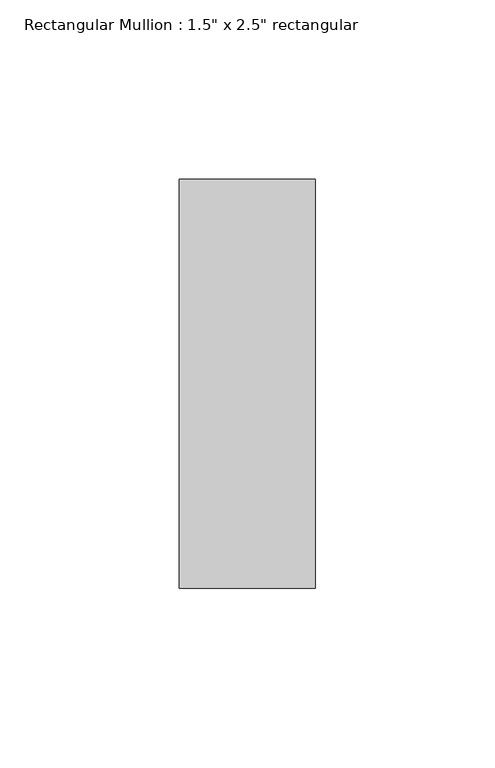
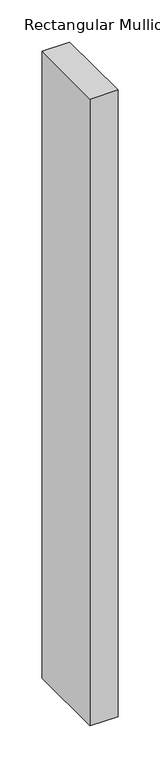
"""IFC4 building model written with IfcOpenShell, lengths in millimetres: member geometry."""

from ifc_helpers import new_model, si_unit, frame, origin, place, context, project, spatial, polyline, outline, extrude, source, transform, mapped, element, save


def member_f36ef882(model_context):
    return source(origin(), model_context, "Body", "SweptSolid", [
        extrude(outline(polyline([(0.0, 57.15), (0.0, -57.15), (-38.1, -57.15), (-38.1, 57.15), (0.0, 57.15)])), frame((0.0, 0.0, -908.05), z_axis=(0.0, 0.0, 1.0), x_axis=(1.0, 0.0, 0.0)), (0.0, 0.0, 1.0), 908.05),
    ])


if __name__ == "__main__":
    model = new_model("IFC4")
    model_context = context("Model", 3, world=origin())
    ifc_project = project(units=[si_unit("LENGTHUNIT", "METRE", prefix="MILLI")], contexts=[model_context])
    site = spatial("IfcSite", under=ifc_project)
    building = spatial("IfcBuilding", under=site)
    placement = place(None, origin())
    member_shape = member_f36ef882(model_context)
    element("IfcMember", 1, ObjectType="Rectangular Mullion : 1.5\" x 2.5\" rectangular", at=placement, inside=building, context=model_context, shape_type="MappedRepresentation", body=[
        mapped(member_shape, transform((0.0, 0.0, 0.0), x_axis=(1.0, 0.0, 0.0), y_axis=(0.0, 1.0, 0.0), z_axis=(0.0, 0.0, 1.0))),
    ])
    save(model, "model.ifc")
